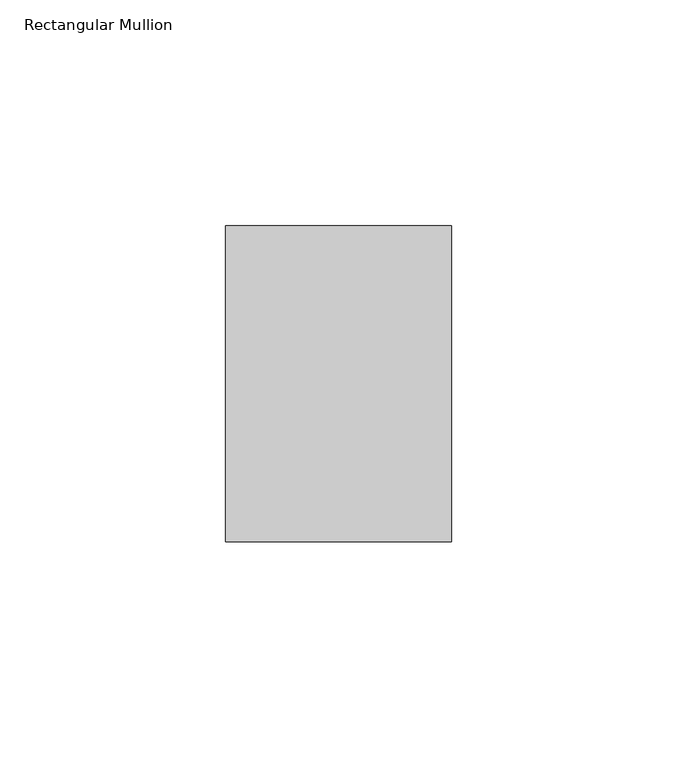
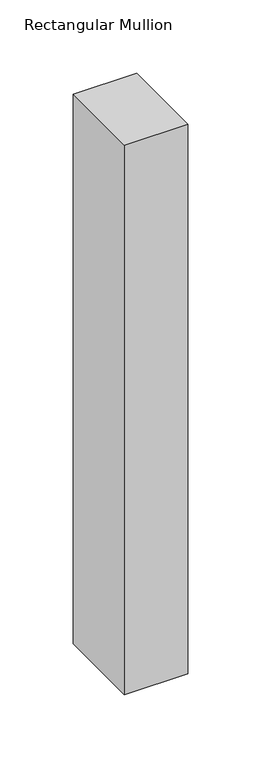
"""IFC4 building model written with IfcOpenShell, lengths in millimetres: member geometry, Rectangular Mullion."""

from ifc_helpers import new_model, si_unit, frame, origin, place, context, project, spatial, polyline, outline, extrude, source, transform, mapped, element, save


def rectangular_mullion_69f6fc47(model_context):
    return source(origin(), model_context, "Body", "SweptSolid", [
        extrude(outline(polyline([(25.0, 35.0), (25.0, -35.0), (-25.0, -35.0), (-25.0, 35.0), (25.0, 35.0)])), frame((0.0, 0.0, -458.4685394), z_axis=(0.0, 0.0, 1.0), x_axis=(1.0, 0.0, 0.0)), (0.0, 0.0, 1.0), 458.4685394),
    ])


if __name__ == "__main__":
    model = new_model("IFC4")
    model_context = context("Model", 3, world=origin())
    ifc_project = project(units=[si_unit("LENGTHUNIT", "METRE", prefix="MILLI")], contexts=[model_context])
    site = spatial("IfcSite", under=ifc_project)
    building = spatial("IfcBuilding", under=site)
    placement = place(None, origin())
    rectangular_mullion_shape = rectangular_mullion_69f6fc47(model_context)
    element("IfcMember", 1, ObjectType="Rectangular Mullion", at=placement, inside=building, context=model_context, shape_type="MappedRepresentation", body=[
        mapped(rectangular_mullion_shape, transform((0.0, 0.0, 0.0), x_axis=(1.0, 0.0, 0.0), y_axis=(0.0, 1.0, 0.0), z_axis=(0.0, 0.0, 1.0))),
    ])
    save(model, "model.ifc")
